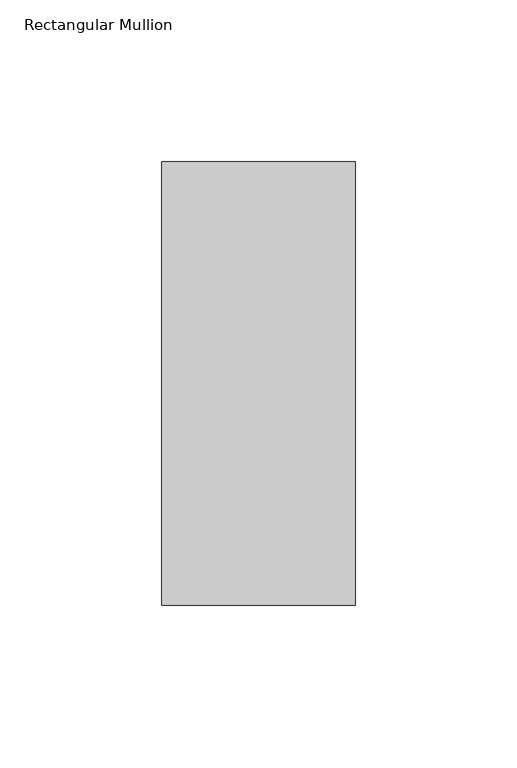
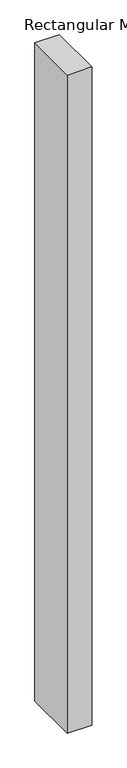
"""IFC4 building model written with IfcOpenShell, lengths in millimetres: member geometry, Rectangular Mullion."""

from ifc_helpers import new_model, si_unit, frame, origin, place, context, project, spatial, polyline, outline, extrude, source, transform, mapped, element, save


def rectangular_mullion_792ad320(model_context):
    return source(origin(), model_context, "Body", "SweptSolid", [
        extrude(outline(polyline([(30.0, 84.19375), (30.0, -53.19375), (-30.0, -53.19375), (-30.0, 84.19375), (30.0, 84.19375)])), frame((0.0, 0.0, -1708.8912252), z_axis=(0.0, 0.0, 1.0), x_axis=(1.0, 0.0, 0.0)), (0.0, 0.0, 1.0), 1708.8912252),
    ])


if __name__ == "__main__":
    model = new_model("IFC4")
    model_context = context("Model", 3, world=origin())
    ifc_project = project(units=[si_unit("LENGTHUNIT", "METRE", prefix="MILLI")], contexts=[model_context])
    site = spatial("IfcSite", under=ifc_project)
    building = spatial("IfcBuilding", under=site)
    placement = place(None, origin())
    rectangular_mullion_shape = rectangular_mullion_792ad320(model_context)
    element("IfcMember", 1, ObjectType="Rectangular Mullion", at=placement, inside=building, context=model_context, shape_type="MappedRepresentation", body=[
        mapped(rectangular_mullion_shape, transform((0.0, 0.0, 0.0), x_axis=(1.0, 0.0, 0.0), y_axis=(0.0, 1.0, 0.0), z_axis=(0.0, 0.0, 1.0))),
    ])
    save(model, "model.ifc")
